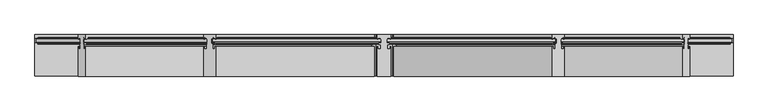
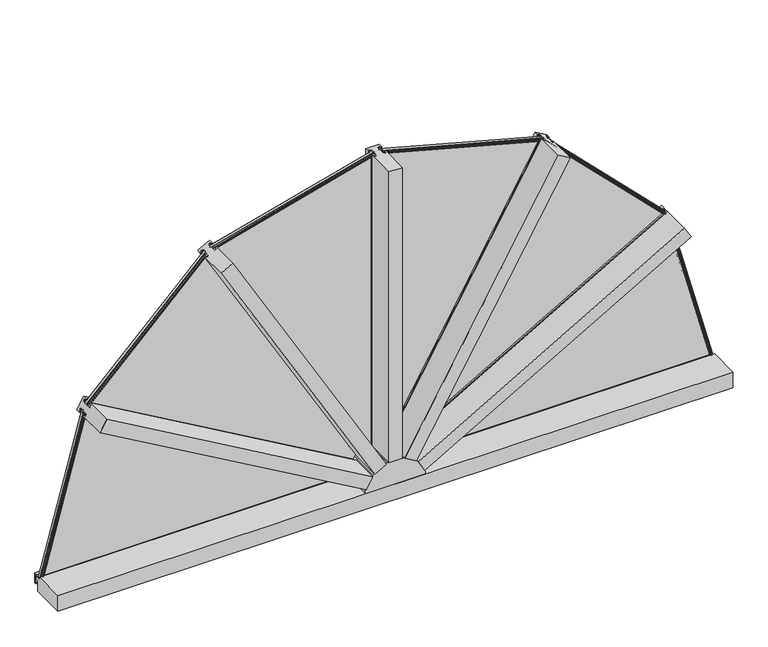
"""IFC4 building model written with IfcOpenShell, lengths in millimetres: proxy geometry."""

from ifc_helpers import new_model, si_unit, point, frame, frame_2d, origin, place, context, project, spatial, polyline, circle_curve, trimmed, segment, composite_curve, outline, extrude, source, transform, mapped, element, save


def generic_models_3cf2dcb8(model_context):
    return source(origin(), model_context, "Body", "SweptSolid", [
        extrude(outline(polyline([(-31.75, -190.7286), (-31.75, -53.3908), (-28.575, -53.3908), (-28.575, -65.3034), (-15.875, -65.3034), (-15.875, -45.4914), (-23.8252, -45.4914), (-23.8252, -38.3286), (-19.5326, -38.3286), (-19.05, -41.0464), (-20.5994, -40.7924), (-20.5994, -41.6052), (-18.2626, -42.0116), (-15.9258, -41.6052), (-15.9258, -40.7924), (-17.4752, -41.0464), (-16.9926, -38.3286), (-12.7, -38.3286), (-11.4859661, -33.5534), (-12.7, -33.5534), (-12.7, -20.701), (-15.6829932, -20.701), (-16.9164, -15.8496), (-21.209, -15.8496), (-21.6916, -13.1318), (-20.1422, -13.3858), (-20.1422, -12.573), (-22.479, -12.1666), (-24.8158, -12.573), (-24.8158, -13.3858), (-23.2664, -13.1318), (-23.749, -15.8496), (-28.0416, -15.8496), (-29.2750068, -20.701), (-31.75, -20.701), (-31.75, 0.0), (31.75, 0.0), (31.75, -20.701), (29.2750068, -20.701), (28.0416, -15.8496), (23.749, -15.8496), (23.2664, -13.1318), (24.8158, -13.3858), (24.8158, -12.573), (22.479, -12.1666), (20.1422, -12.573), (20.1422, -13.3858), (21.6916, -13.1318), (21.209, -15.8496), (16.9164, -15.8496), (15.6829932, -20.701), (12.7095495, -20.701), (12.7095495, -33.5534), (11.4859661, -33.5534), (12.7, -38.3286), (16.9926, -38.3286), (17.4752, -41.0464), (15.9258, -40.7924), (15.9258, -41.6052), (18.2626, -42.0116), (20.5994, -41.6052), (20.5994, -40.7924), (19.05, -41.0464), (19.5326, -38.3286), (23.8252, -38.3286), (23.8252, -45.4914), (15.875, -45.4914), (15.875, -65.3034), (28.575, -65.3034), (28.575, -53.3908), (31.75, -53.3908), (31.75, -190.7286), (-31.75, -190.7286)])), frame((0.0, 0.0, 214.6040235), z_axis=(0.0, 0.0, 1.0), x_axis=(1.0, 0.0, 0.0)), (0.0, 0.0, 1.0), 1457.9020948),
        extrude(outline(polyline([(-12.8524, 25.0263186), (-12.8524, 11.4730508), (-17.6276, 12.6870847), (-17.6276, 16.9796848), (-20.3454, 17.4622847), (-20.0914, 15.9128848), (-20.9042, 15.9128848), (-21.3106, 18.2496847), (-20.9042, 20.5864847), (-20.0914, 20.5864847), (-20.3454, 19.0370847), (-17.6276, 19.5196847), (-17.6276, 23.8122847), (-12.8524, 25.0263186)])), frame((73.3568343, -20.7518, 199.4209188), z_axis=(0.5000000000000037, 0.0, 0.8660254037844366), x_axis=(0.0, 1.0, 0.0)), (0.0, 0.0, 1.0), 1436.5621076),
        extrude(outline(polyline([(-12.8524, -11.4988813), (-12.8524, -25.0521491), (-17.6276, -23.8381153), (-17.6276, -19.5455153), (-20.3454, -19.0629152), (-20.0914, -20.6123153), (-20.9042, -20.6123153), (-21.3106, -18.2755152), (-20.9042, -15.9387153), (-20.0914, -15.9387153), (-20.3454, -17.4881152), (-17.6276, -17.0055153), (-17.6276, -12.7129152), (-12.8524, -11.4988813)])), frame((73.3568343, -20.7518, 199.4209188), z_axis=(0.5000000000000037, 0.0, 0.8660254037844366), x_axis=(0.0, 1.0, 0.0)), (0.0, 0.0, 1.0), 1436.5621076),
        extrude(outline(polyline([(0.0, -15.6959084), (4.8514, -16.9293152), (4.8514, -21.2219153), (7.5692, -21.7045153), (7.3152, -20.1551153), (8.128, -20.1551153), (8.5344, -22.4919153), (8.128, -24.8287152), (7.3152, -24.8287152), (7.5692, -23.2793153), (4.8514, -23.7619152), (4.8514, -28.0545153), (0.0, -29.2879221), (0.0, -15.6959084)])), frame((73.3568343, -20.7518, 199.4209188), z_axis=(0.5000000000000037, 0.0, 0.8660254037844366), x_axis=(0.0, 1.0, 0.0)), (0.0, 0.0, 1.0), 1436.5621076),
        extrude(outline(polyline([(0.0, 29.2620916), (4.8514, 28.0286848), (4.8514, 23.7360847), (7.5692, 23.2534848), (7.3152, 24.8028847), (8.128, 24.8028847), (8.5344, 22.4660847), (8.128, 20.1292848), (7.3152, 20.1292848), (7.5692, 21.6786847), (4.8514, 21.1960848), (4.8514, 16.9034847), (0.0, 15.6700779), (0.0, 29.2620916)])), frame((73.3568343, -20.7518, 199.4209188), z_axis=(0.5000000000000037, 0.0, 0.8660254037844366), x_axis=(0.0, 1.0, 0.0)), (0.0, 0.0, 1.0), 1436.5621076),
        extrude(outline(polyline([(190.7286, 31.75), (190.7286, -31.75), (53.3908, -31.75), (53.3908, -28.575), (65.3034, -28.575), (65.3034, -15.875), (45.4914, -15.875), (45.4914, -23.8252), (38.3286, -23.8252), (38.3286, -19.5326), (41.0464, -19.0500001), (40.7924, -20.5994), (41.6052, -20.5994), (42.0116, -18.2626001), (41.6052, -15.9258), (40.7924, -15.9258), (41.0464, -17.4752001), (38.3286, -16.9926), (38.3286, -12.7), (33.5534, -11.4859661), (33.5534, -12.7095495), (20.701, -12.7095495), (20.701, -15.6829933), (15.8496, -16.9164001), (15.8496, -21.209), (13.1318, -21.6916), (13.3858, -20.1422), (12.573, -20.1422), (12.1666, -22.479), (12.573, -24.8158), (13.3858, -24.8158), (13.1318, -23.2664), (15.8496, -23.749), (15.8496, -28.0416), (20.701, -29.2750068), (20.701, -31.75), (0.0, -31.75), (0.0, 31.75), (20.701, 31.75), (20.701, 29.2750068), (15.8496, 28.0415999), (15.8496, 23.749), (13.1318, 23.2664), (13.3858, 24.8158), (12.573, 24.8158), (12.1666, 22.479), (12.573, 20.1422), (13.3858, 20.1422), (13.1318, 21.6916), (15.8496, 21.209), (15.8496, 16.9164), (20.701, 15.6829932), (20.701, 12.7), (33.5534, 12.7), (33.5534, 11.485966), (38.3286, 12.7), (38.3286, 16.9926), (41.0464, 17.4752), (40.7924, 15.9258), (41.6052, 15.9258), (42.0116, 18.2626), (41.6052, 20.5994), (40.7924, 20.5994), (41.0464, 19.05), (38.3286, 19.5326), (38.3286, 23.8252), (45.4914, 23.8252), (45.4914, 15.875), (65.3034, 15.875), (65.3034, 28.575), (53.3908, 28.575), (53.3908, 31.75), (190.7286, 31.75)])), frame((71.1204344, 0.0, 195.5473605), z_axis=(0.5000000000000036, 0.0, 0.8660254037844366), x_axis=(0.0, -1.0, 0.0)), (0.0, 0.0, 1.0), 1457.9020948),
        extrude(outline(polyline([(190.7286, -31.75), (53.3908, -31.75), (53.3908, -28.575), (65.3034, -28.575), (65.3034, -15.875), (45.4914, -15.875), (45.4914, -23.8252), (38.3286, -23.8252), (38.3286, -19.5326), (41.0464, -19.05), (40.7924, -20.5994), (41.6052, -20.5994), (42.0116, -18.2626), (41.6052, -15.9258), (40.7924, -15.9258), (41.0464, -17.4752), (38.3286, -16.9926), (38.3286, -12.7), (33.5534, -11.4859661), (33.5534, -12.7), (20.701, -12.7), (20.701, -15.6829932), (15.8496, -16.9164), (15.8496, -21.209), (13.1318, -21.6916), (13.3858, -20.1422), (12.573, -20.1422), (12.1666, -22.479), (12.573, -24.8158), (13.3858, -24.8158), (13.1318, -23.2664), (15.8496, -23.749), (15.8496, -28.0416), (20.701, -29.2750068), (20.701, -31.75), (0.0, -31.75), (0.0, 31.75), (20.701, 31.75), (20.701, 29.2750068), (15.8496, 28.0416), (15.8496, 23.749), (13.1318, 23.2664), (13.3858, 24.8158), (12.573, 24.8158), (12.1666, 22.479), (12.573, 20.1422), (13.3858, 20.1422), (13.1318, 21.6916), (15.8496, 21.209), (15.8496, 16.9164), (20.701, 15.6829932), (20.701, 12.7095494), (33.5534, 12.7095494), (33.5534, 11.485966), (38.3286, 12.7), (38.3286, 16.9926), (41.0464, 17.4752), (40.7924, 15.9258), (41.6052, 15.9258), (42.0116, 18.2626), (41.6052, 20.5994), (40.7924, 20.5994), (41.0464, 19.05), (38.3286, 19.5326), (38.3286, 23.8252), (45.4914, 23.8252), (45.4914, 15.875), (65.3034, 15.875), (65.3034, 28.575), (53.3908, 28.575), (53.3908, 31.75), (190.7286, 31.75), (190.7286, -31.75)])), frame((-71.12, 0.0, 195.5466082), z_axis=(-0.4999999999999979, 0.0, 0.8660254037844399), x_axis=(0.0, -1.0, 0.0)), (0.0, 0.0, 1.0), 1457.9029636),
        extrude(outline(polyline([(-12.8016, 25.0392338), (-12.8016, 11.485966), (-17.5768, 12.7), (-17.5768, 16.9925999), (-20.2946, 17.4752), (-20.0406, 15.9257999), (-20.8534, 15.9257999), (-21.2598, 18.2626), (-20.8534, 20.5994), (-20.0406, 20.5994), (-20.2946, 19.05), (-17.5768, 19.5326), (-17.5768, 23.8252), (-12.8016, 25.0392338)])), frame((125.9552294, -20.7518, 145.0834404), z_axis=(0.8660254037844406, 0.0, 0.4999999999999966), x_axis=(0.0, 1.0, 0.0)), (0.0, 0.0, 1.0), 1437.8352049),
        extrude(outline(polyline([(-12.8016, -11.4859662), (-12.8016, -25.039234), (-17.5768, -23.8252), (-17.5768, -19.5326001), (-20.2946, -19.0500001), (-20.0406, -20.5994001), (-20.8534, -20.5994001), (-21.2598, -18.2626001), (-20.8534, -15.9258), (-20.0406, -15.9258), (-20.2946, -17.4752001), (-17.5768, -16.9926), (-17.5768, -12.7000001), (-12.8016, -11.4859662)])), frame((125.9552294, -20.7518, 145.0834404), z_axis=(0.8660254037844406, 0.0, 0.4999999999999966), x_axis=(0.0, 1.0, 0.0)), (0.0, 0.0, 1.0), 1437.8352049),
        extrude(outline(polyline([(0.0508, -15.6829933), (4.9022, -16.9164001), (4.9022, -21.209), (7.62, -21.6916), (7.366, -20.1422), (8.1788, -20.1422), (8.5852, -22.479), (8.1788, -24.8158001), (7.366, -24.8158001), (7.62, -23.2664), (4.9022, -23.7490001), (4.9022, -28.0416), (0.0508, -29.2750068), (0.0508, -15.6829933)])), frame((125.9552294, -20.7518, 145.0834404), z_axis=(0.8660254037844406, 0.0, 0.4999999999999966), x_axis=(0.0, 1.0, 0.0)), (0.0, 0.0, 1.0), 1437.8352049),
        extrude(outline(polyline([(0.0508, 29.2750067), (4.9022, 28.0415999), (4.9022, 23.749), (7.62, 23.2664), (7.366, 24.8158), (8.1788, 24.8158), (8.5852, 22.479), (8.1788, 20.1421999), (7.366, 20.1421999), (7.62, 21.6916), (4.9022, 21.2089999), (4.9022, 16.9164), (0.0508, 15.6829932), (0.0508, 29.2750067)])), frame((125.9552294, -20.7518, 145.0834404), z_axis=(0.8660254037844406, 0.0, 0.4999999999999966), x_axis=(0.0, 1.0, 0.0)), (0.0, 0.0, 1.0), 1437.8352049),
        extrude(outline(polyline([(190.7286, 31.7499999), (190.7286, -31.75), (53.3908, -31.75), (53.3908, -28.575), (65.3034, -28.575), (65.3034, -15.875), (45.4914, -15.875), (45.4914, -23.8252), (38.3286, -23.8252), (38.3286, -19.5326), (41.0464, -19.0500001), (40.7924, -20.5994), (41.6052, -20.5994), (42.0116, -18.2626001), (41.6052, -15.9258), (40.7924, -15.9258), (41.0464, -17.4752001), (38.3286, -16.9926), (38.3286, -12.7000001), (33.5534, -11.4859661), (33.5534, -12.7095494), (20.701, -12.7095494), (20.701, -15.6829933), (15.8496, -16.9164001), (15.8496, -21.209), (13.1318, -21.6916), (13.3858, -20.1422), (12.573, -20.1422), (12.1666, -22.479), (12.573, -24.8158001), (13.3858, -24.8158001), (13.1318, -23.2664), (15.8496, -23.7490001), (15.8496, -28.0416), (20.701, -29.2750068), (20.701, -31.75), (0.0, -31.75), (0.0, 31.7499999), (20.701, 31.7499999), (20.701, 29.2750067), (15.8496, 28.0415999), (15.8496, 23.749), (13.1318, 23.2664), (13.3858, 24.8158), (12.573, 24.8158), (12.1666, 22.479), (12.573, 20.1422), (13.3858, 20.1422), (13.1318, 21.6916), (15.8496, 21.209), (15.8496, 16.9164), (20.701, 15.6829932), (20.701, 12.7), (33.5534, 12.7), (33.5534, 11.4859661), (38.3286, 12.7), (38.3286, 16.9925999), (41.0464, 17.4752), (40.7924, 15.9257999), (41.6052, 15.9257999), (42.0116, 18.2626), (41.6052, 20.5994), (40.7924, 20.5994), (41.0464, 19.05), (38.3286, 19.5326), (38.3286, 23.8252), (45.4914, 23.8252), (45.4914, 15.8749999), (65.3034, 15.8749999), (65.3034, 28.575), (53.3908, 28.575), (53.3908, 31.7499999), (190.7286, 31.7499999)])), frame((123.1834534, 0.0, 143.4831547), z_axis=(0.8660254037844404, 0.0, 0.4999999999999971), x_axis=(0.0, -1.0, 0.0)), (0.0, 0.0, 1.0), 1457.9029636),
        extrude(outline(polyline([(190.7286, -31.75), (53.3908, -31.75), (53.3908, -28.5750001), (65.3034, -28.5750001), (65.3034, -15.875), (45.4914, -15.875), (45.4914, -23.8252), (38.3286, -23.8252), (38.3286, -19.5326), (41.0464, -19.0500001), (40.7924, -20.5994), (41.6052, -20.5994), (42.0116, -18.2626001), (41.6052, -15.9258), (40.7924, -15.9258), (41.0464, -17.4752001), (38.3286, -16.9926), (38.3286, -12.7000001), (33.5534, -11.4859661), (33.5534, -12.7000001), (20.701, -12.7000001), (20.701, -15.6829933), (15.8496, -16.9164001), (15.8496, -21.209), (13.1318, -21.6916), (13.3858, -20.1422), (12.573, -20.1422), (12.1666, -22.479), (12.573, -24.8158001), (13.3858, -24.8158001), (13.1318, -23.2664), (15.8496, -23.7490001), (15.8496, -28.0416), (20.701, -29.2750068), (20.701, -31.75), (0.0, -31.75), (0.0, 31.7499999), (20.701, 31.7499999), (20.701, 29.2750067), (15.8496, 28.0415999), (15.8496, 23.749), (13.1318, 23.2664), (13.3858, 24.8158), (12.573, 24.8158), (12.1666, 22.479), (12.573, 20.1421999), (13.3858, 20.1421999), (13.1318, 21.6916), (15.8496, 21.2089999), (15.8496, 16.9164), (20.701, 15.6829932), (20.701, 12.7095495), (33.5534, 12.7095495), (33.5534, 11.4859661), (38.3286, 12.7), (38.3286, 16.9925999), (41.0464, 17.4752), (40.7924, 15.9257999), (41.6052, 15.9257999), (42.0116, 18.2626), (41.6052, 20.5994), (40.7924, 20.5994), (41.0464, 19.05), (38.3286, 19.5326), (38.3286, 23.8252), (45.4914, 23.8252), (45.4914, 15.8749999), (65.3034, 15.8749999), (65.3034, 28.575), (53.3908, 28.575), (53.3908, 31.7499999), (190.7286, 31.7499999), (190.7286, -31.75)])), frame((-123.1827011, 0.0, 143.4827204), z_axis=(-0.8660254037844374, 0.0, 0.5000000000000024), x_axis=(0.0, -1.0, 0.0)), (0.0, 0.0, 1.0), 1457.9020948),
        extrude(outline(polyline([(-24.8666, 19.9756547), (-22.479, 19.9756547), (-22.479, 16.8006547), (-189.1665, 16.8006547), (-189.1665, 96.1756547), (-38.354, 96.1756547), (-38.354, 85.0631547), (-15.875, 85.0631547), (-15.875, 96.1756547), (0.0, 96.1756547), (0.0, 45.3756547), (-6.35, 45.3756547), (-6.35, 47.7378547), (-2.3622, 47.7378547), (-2.3622, 93.0006547), (-12.7, 93.0006547), (-12.7, 72.3504547), (-24.8666, 72.3504547), (-24.8666, 19.9756547)])), frame((-1600.7575389, 0.0, 0.0), z_axis=(1.0, 0.0, 0.0), x_axis=(0.0, 1.0, 0.0)), (0.0, 0.0, 1.0), 3201.5150778),
        extrude(outline(polyline([(-17.6276, -8.4328), (-20.3454, -7.9502), (-20.0914, -9.4995999), (-20.9042, -9.4995999), (-21.3106, -7.1628), (-20.9042, -4.826), (-20.0914, -4.826), (-20.3454, -6.3754), (-17.6276, -5.8928), (-17.6276, -1.6002), (-12.8524, -0.3861661), (-12.8524, -13.9394339), (-17.6276, -12.7254), (-17.6276, -8.4328)])), frame((-1595.7084131, -20.7518, 88.9066377), z_axis=(0.2588190451025235, 0.0, 0.9659258262890675), x_axis=(0.0, 1.0, 0.0)), (0.0, 0.0, 1.0), 788.9192544),
        extrude(outline(polyline([(0.0, -2.9829931), (4.8514, -4.2163999), (4.8514, -8.5089999), (7.5692, -8.9915999), (7.3152, -7.4421999), (8.128, -7.4421999), (8.5344, -9.7789999), (8.128, -12.1158), (7.3152, -12.1158), (7.5692, -10.5663999), (4.8514, -11.0489999), (4.8514, -15.3415999), (0.0, -16.5750068), (0.0, -2.9829931)])), frame((-1595.7084131, -20.7518, 88.9066377), z_axis=(0.2588190451025235, 0.0, 0.9659258262890675), x_axis=(0.0, 1.0, 0.0)), (0.0, 0.0, 1.0), 788.9192544),
        extrude(outline(polyline([(-17.6276, -8.4328), (-20.3454, -7.9502), (-20.0914, -9.4996), (-20.9042, -9.4996), (-21.3106, -7.1628), (-20.9042, -4.826), (-20.0914, -4.826), (-20.3454, -6.3754), (-17.6276, -5.8928), (-17.6276, -1.6002), (-12.8524, -0.3861661), (-12.8524, -13.9394339), (-17.6276, -12.7254), (-17.6276, -8.4328)])), frame((-1373.6607943, -20.7518, 884.5382984), z_axis=(0.7071067811865479, 0.0, 0.7071067811865471), x_axis=(0.0, 1.0, 0.0)), (0.0, 0.0, 1.0), 795.8224891),
        extrude(outline(polyline([(0.0, -2.9829932), (4.8514, -4.2164), (4.8514, -8.509), (7.5692, -8.9916), (7.3152, -7.4422), (8.128, -7.4422), (8.5344, -9.7790001), (8.128, -12.1158), (7.3152, -12.1158), (7.5692, -10.5664), (4.8514, -11.049), (4.8514, -15.3416), (0.0, -16.5750068), (0.0, -2.9829932)])), frame((-1373.6607943, -20.7518, 884.5382984), z_axis=(0.7071067811865479, 0.0, 0.7071067811865471), x_axis=(0.0, 1.0, 0.0)), (0.0, 0.0, 1.0), 795.8224891),
        extrude(outline(polyline([(-17.6276, -8.4328), (-20.3454, -7.9502), (-20.0914, -9.4996), (-20.9042, -9.4996), (-21.3106, -7.1628), (-20.9042, -4.8260001), (-20.0914, -4.8260001), (-20.3454, -6.3754), (-17.6276, -5.8928), (-17.6276, -1.6002), (-12.8524, -0.3861661), (-12.8524, -13.9394339), (-17.6276, -12.7254), (-17.6276, -8.4328)])), frame((-783.2947655, -20.7518, 1462.6229185), z_axis=(0.9659258262890681, 0.0, 0.25881904510252174), x_axis=(0.0, 1.0, 0.0)), (0.0, 0.0, 1.0), 795.3197449),
        extrude(outline(polyline([(0.0, -2.9829932), (4.8514, -4.2164), (4.8514, -8.5090001), (7.5692, -8.9916001), (7.3152, -7.4422), (8.128, -7.4422), (8.5344, -9.7790001), (8.128, -12.1158001), (7.3152, -12.1158001), (7.5692, -10.5664001), (4.8514, -11.0490001), (4.8514, -15.3416001), (0.0, -16.5750068), (0.0, -2.9829932)])), frame((-783.2947655, -20.7518, 1462.6229185), z_axis=(0.9659258262890681, 0.0, 0.25881904510252174), x_axis=(0.0, 1.0, 0.0)), (0.0, 0.0, 1.0), 795.3197449),
        extrude(outline(polyline([(-17.6276, 8.4328), (-17.6276, 12.7254), (-12.8524, 13.9394339), (-12.8524, 0.3861661), (-17.6276, 1.6002), (-17.6276, 5.8928), (-20.3454, 6.3754), (-20.0914, 4.8260001), (-20.9042, 4.8260001), (-21.3106, 7.1628), (-20.9042, 9.4996), (-20.0914, 9.4996), (-20.3454, 7.9502), (-17.6276, 8.4328)])), frame((783.2947655, -20.7518, 1462.6229185), z_axis=(-0.9659258262890671, 0.0, 0.25881904510252557), x_axis=(0.0, 1.0, 0.0)), (0.0, 0.0, 1.0), 793.5578781),
        extrude(outline(polyline([(0.0, 2.9829932), (0.0, 16.5750068), (4.8514, 15.3416001), (4.8514, 11.0490001), (7.5692, 10.5664001), (7.3152, 12.1158001), (8.128, 12.1158001), (8.5344, 9.7790001), (8.128, 7.4422), (7.3152, 7.4422), (7.5692, 8.9916001), (4.8514, 8.5090001), (4.8514, 4.2164), (0.0, 2.9829932)])), frame((783.2947655, -20.7518, 1462.6229185), z_axis=(-0.9659258262890671, 0.0, 0.25881904510252557), x_axis=(0.0, 1.0, 0.0)), (0.0, 0.0, 1.0), 793.5578781),
        extrude(outline(polyline([(-17.6276, 8.4328), (-17.6276, 12.7254), (-12.8524, 13.9394339), (-12.8524, 0.3861661), (-17.6276, 1.6002), (-17.6276, 5.8928), (-20.3454, 6.3754), (-20.0914, 4.826), (-20.9042, 4.826), (-21.3106, 7.1628), (-20.9042, 9.4996), (-20.0914, 9.4996), (-20.3454, 7.9502), (-17.6276, 8.4328)])), frame((1595.3796086, -20.7518, 90.1402376), z_axis=(-0.25881904510252507, 0.0, 0.9659258262890672), x_axis=(0.0, 1.0, 0.0)), (0.0, 0.0, 1.0), 794.2840893),
        extrude(outline(polyline([(0.0, 2.9829932), (0.0, 16.5750068), (4.8514, 15.3416001), (4.8514, 11.049), (7.5692, 10.5664001), (7.3152, 12.1158), (8.128, 12.1158), (8.5344, 9.7790001), (8.128, 7.4422), (7.3152, 7.4422), (7.5692, 8.9916), (4.8514, 8.5090001), (4.8514, 4.2164), (0.0, 2.9829932)])), frame((1595.3796086, -20.7518, 90.1402376), z_axis=(-0.25881904510252507, 0.0, 0.9659258262890672), x_axis=(0.0, 1.0, 0.0)), (0.0, 0.0, 1.0), 794.2840893),
        extrude(outline(polyline([(-17.6276, 1.5208116), (-17.6276, 5.8134116), (-20.3454, 6.2960116), (-20.0914, 4.7466116), (-20.9042, 4.7466116), (-21.3106, 7.0834116), (-20.9042, 9.4202116), (-20.0914, 9.4202116), (-20.3454, 7.8708116), (-17.6276, 8.3534116), (-17.6276, 12.6460116), (-12.8524, 13.8600455), (-12.8524, 0.3067777), (-17.6276, 1.5208116)])), frame((1373.4830474, -20.7518, 884.7160453), z_axis=(-0.7071067811865438, 0.0, 0.7071067811865513), x_axis=(0.0, 1.0, 0.0)), (0.0, 0.0, 1.0), 795.3197449),
        extrude(outline(polyline([(0.0, 2.9036048), (0.0, 16.4956184), (4.8514, 15.2622116), (4.8514, 10.9696116), (7.5692, 10.4870116), (7.3152, 12.0364116), (8.128, 12.0364116), (8.5344, 9.6996116), (8.128, 7.3628117), (7.3152, 7.3628117), (7.5692, 8.9122116), (4.8514, 8.4296116), (4.8514, 4.1370116), (0.0, 2.9036048)])), frame((1373.4830474, -20.7518, 884.7160453), z_axis=(-0.7071067811865438, 0.0, 0.7071067811865513), x_axis=(0.0, 1.0, 0.0)), (0.0, 0.0, 1.0), 795.3197449),
        extrude(outline(polyline([(-33.6042, 96.7182879), (-33.6042, 83.1779354), (-38.354, 84.3855117), (-38.354, 88.6781117), (-41.0718, 89.1607117), (-40.8178, 87.6113117), (-41.6306, 87.6113117), (-42.037, 89.9481117), (-41.6306, 92.2849117), (-40.8178, 92.2849117), (-41.0718, 90.7355117), (-38.354, 91.2181117), (-38.354, 95.5107117), (-33.6042, 96.7182879)])), frame((-1590.616226, 0.0, 0.0), z_axis=(1.0, 0.0, 0.0), x_axis=(0.0, 1.0, 0.0)), (0.0, 0.0, 1.0), 3181.2324521),
        extrude(outline(composite_curve([segment(polyline([(-12.7, 96.2981117), (-15.0876, 96.2981117)]), True, "CONTINUOUS"), segment(trimmed(circle_curve(frame_2d((-15.0876, 95.5107117)), 0.7874), [point((-15.0876, 96.2981117))], [point((-15.875, 95.5107117))], True, "CARTESIAN"), True, "CONTINUOUS"), segment(polyline([(-15.875, 95.5107117), (-15.875, 94.7233117), (-14.3002, 94.7233117), (-15.9278569, 88.6488134)]), True, "CONTINUOUS"), segment(trimmed(circle_curve(frame_2d((-18.3134, 88.1412561)), 2.4389404), [point((-15.9278569, 88.6488134))], [point((-20.7518, 88.0899157))], False, "CARTESIAN"), True, "CONTINUOUS"), segment(polyline([(-20.7518, 88.0899157), (-20.7518, 102.1087233)]), True, "CONTINUOUS"), segment(trimmed(circle_curve(frame_2d((-9.0398591, 109.8540113)), 14.0413335), [point((-20.7518, 102.1087233))], [point((-12.7, 96.2981117))], True, "CARTESIAN"), True, "CONTINUOUS")], self_intersect=False)), frame((-1590.616226, 0.0, 0.0), z_axis=(1.0, 0.0, 0.0), x_axis=(0.0, 1.0, 0.0)), (0.0, 0.0, 1.0), 3181.2324521),
        extrude(outline(polyline([(-12.8016, -25.0392338), (-17.5768, -23.8252), (-17.5768, -19.5326), (-20.2946, -19.05), (-20.0406, -20.5994), (-20.8534, -20.5994), (-21.2598, -18.2626), (-20.8534, -15.9257999), (-20.0406, -15.9257999), (-20.2946, -17.4752), (-17.5768, -16.9925999), (-17.5768, -12.7), (-12.8016, -11.485966), (-12.8016, -25.0392338)])), frame((-125.9552294, -20.7518, 145.0834404), z_axis=(-0.8660254037844374, 0.0, 0.5000000000000022), x_axis=(0.0, 1.0, 0.0)), (0.0, 0.0, 1.0), 1445.6753619),
        extrude(outline(polyline([(-12.8016, 11.4859662), (-17.5768, 12.7000001), (-17.5768, 16.9926), (-20.2946, 17.4752001), (-20.0406, 15.9258), (-20.8534, 15.9258), (-21.2598, 18.2626001), (-20.8534, 20.5994001), (-20.0406, 20.5994001), (-20.2946, 19.0500001), (-17.5768, 19.5326001), (-17.5768, 23.8252), (-12.8016, 25.039234), (-12.8016, 11.4859662)])), frame((-125.9552294, -20.7518, 145.0834404), z_axis=(-0.8660254037844374, 0.0, 0.5000000000000022), x_axis=(0.0, 1.0, 0.0)), (0.0, 0.0, 1.0), 1445.6753619),
        extrude(outline(polyline([(0.0508, 15.6829933), (0.0508, 29.2750068), (4.9022, 28.0416), (4.9022, 23.7490001), (7.62, 23.2664), (7.366, 24.8158001), (8.1788, 24.8158001), (8.5852, 22.479), (8.1788, 20.1422), (7.366, 20.1422), (7.62, 21.6916), (4.9022, 21.209), (4.9022, 16.9164001), (0.0508, 15.6829933)])), frame((-125.9552294, -20.7518, 145.0834404), z_axis=(-0.8660254037844374, 0.0, 0.5000000000000022), x_axis=(0.0, 1.0, 0.0)), (0.0, 0.0, 1.0), 1445.6753619),
        extrude(outline(polyline([(0.0508, -29.2750067), (0.0508, -15.6829932), (4.9022, -16.9164), (4.9022, -21.2089999), (7.62, -21.6916), (7.366, -20.1421999), (8.1788, -20.1421999), (8.5852, -22.479), (8.1788, -24.8158), (7.366, -24.8158), (7.62, -23.2664), (4.9022, -23.749), (4.9022, -28.0415999), (0.0508, -29.2750067)])), frame((-125.9552294, -20.7518, 145.0834404), z_axis=(-0.8660254037844374, 0.0, 0.5000000000000022), x_axis=(0.0, 1.0, 0.0)), (0.0, 0.0, 1.0), 1445.6753619),
        extrude(outline(polyline([(-12.8524, -25.0521492), (-17.6276, -23.8381153), (-17.6276, -19.5455152), (-20.3454, -19.0629153), (-20.0914, -20.6123152), (-20.9042, -20.6123152), (-21.3106, -18.2755153), (-20.9042, -15.9387152), (-20.0914, -15.9387152), (-20.3454, -17.4881153), (-17.6276, -17.0055152), (-17.6276, -12.7129152), (-12.8524, -11.4988813), (-12.8524, -25.0521492)])), frame((-73.3254248, -20.7518, 199.366516), z_axis=(-0.4999999999999982, 0.0, 0.8660254037844397), x_axis=(0.0, 1.0, 0.0)), (0.0, 0.0, 1.0), 1436.6249264),
        extrude(outline(polyline([(-12.8524, 11.4730508), (-17.6276, 12.6870848), (-17.6276, 16.9796848), (-20.3454, 17.4622848), (-20.0914, 15.9128848), (-20.9042, 15.9128848), (-21.3106, 18.2496848), (-20.9042, 20.5864848), (-20.0914, 20.5864848), (-20.3454, 19.0370848), (-17.6276, 19.5196848), (-17.6276, 23.8122847), (-12.8524, 25.0263186), (-12.8524, 11.4730508)])), frame((-73.3254248, -20.7518, 199.366516), z_axis=(-0.4999999999999982, 0.0, 0.8660254037844397), x_axis=(0.0, 1.0, 0.0)), (0.0, 0.0, 1.0), 1436.6249264),
        extrude(outline(polyline([(0.0, 15.670078), (0.0, 29.2620916), (4.8514, 28.0286847), (4.8514, 23.7360848), (7.5692, 23.2534847), (7.3152, 24.8028848), (8.128, 24.8028848), (8.5344, 22.4660847), (8.128, 20.1292848), (7.3152, 20.1292848), (7.5692, 21.6786848), (4.8514, 21.1960848), (4.8514, 16.9034848), (0.0, 15.670078)])), frame((-73.3254248, -20.7518, 199.366516), z_axis=(-0.4999999999999982, 0.0, 0.8660254037844397), x_axis=(0.0, 1.0, 0.0)), (0.0, 0.0, 1.0), 1436.6249264),
        extrude(outline(polyline([(0.0, -29.287922), (0.0, -15.6959085), (4.8514, -16.9293153), (4.8514, -21.2219152), (7.5692, -21.7045153), (7.3152, -20.1551152), (8.128, -20.1551152), (8.5344, -22.4919152), (8.128, -24.8287152), (7.3152, -24.8287152), (7.5692, -23.2793152), (4.8514, -23.7619152), (4.8514, -28.0545152), (0.0, -29.287922)])), frame((-73.3254248, -20.7518, 199.366516), z_axis=(-0.4999999999999982, 0.0, 0.8660254037844397), x_axis=(0.0, 1.0, 0.0)), (0.0, 0.0, 1.0), 1436.6249264),
        extrude(outline(polyline([(25.0263186, -33.6042), (23.8122847, -38.3794), (19.5196847, -38.3794), (19.0370847, -41.0972), (20.5864847, -40.8432), (20.5864847, -41.656), (18.2496847, -42.0624), (15.9128847, -41.656), (15.9128847, -40.8432), (17.4622847, -41.0972), (16.9796847, -38.3794), (12.6870847, -38.3794), (11.4730508, -33.6042), (25.0263186, -33.6042)])), frame((0.0, 0.0, 219.4266498), z_axis=(0.0, 0.0, 1.0), x_axis=(1.0, 0.0, 0.0)), (0.0, 0.0, 1.0), 1436.212281),
        extrude(outline(polyline([(-11.4988814, -33.6042), (-12.7129153, -38.3794), (-17.0055153, -38.3794), (-17.4881153, -41.0972), (-15.9387153, -40.8432), (-15.9387153, -41.656), (-18.2755153, -42.0624), (-20.6123153, -41.656), (-20.6123153, -40.8432), (-19.0629153, -41.0972), (-19.5455153, -38.3794), (-23.8381153, -38.3794), (-25.0521492, -33.6042), (-11.4988814, -33.6042)])), frame((0.0, 0.0, 219.4266498), z_axis=(0.0, 0.0, 1.0), x_axis=(1.0, 0.0, 0.0)), (0.0, 0.0, 1.0), 1436.212281),
        extrude(outline(polyline([(-15.6959085, -20.7518), (-29.287922, -20.7518), (-28.0545153, -15.9004), (-23.7619153, -15.9004), (-23.2793153, -13.1826), (-24.8287153, -13.4366), (-24.8287153, -12.6238), (-22.4919153, -12.2174), (-20.1551153, -12.6238), (-20.1551153, -13.4366), (-21.7045153, -13.1826), (-21.2219153, -15.9004), (-16.9293153, -15.9004), (-15.6959085, -20.7518)])), frame((0.0, 0.0, 219.4266498), z_axis=(0.0, 0.0, 1.0), x_axis=(1.0, 0.0, 0.0)), (0.0, 0.0, 1.0), 1436.212281),
        extrude(outline(polyline([(29.2620915, -20.7518), (15.670078, -20.7518), (16.9034847, -15.9004), (21.1960847, -15.9004), (21.6786847, -13.1826), (20.1292847, -13.4366), (20.1292847, -12.6238), (22.4660847, -12.2174), (24.8028847, -12.6238), (24.8028847, -13.4366), (23.2534847, -13.1826), (23.7360847, -15.9004), (28.0286847, -15.9004), (29.2620915, -20.7518)])), frame((0.0, 0.0, 219.4266498), z_axis=(0.0, 0.0, 1.0), x_axis=(1.0, 0.0, 0.0)), (0.0, 0.0, 1.0), 1436.212281),
        extrude(outline(polyline([(96.1756547, -142.2382625), (96.1756547, 142.2391312), (110.4777526, 142.2391312), (176.4915664, 104.1260381), (214.6040235, 38.1133259), (214.6040235, -38.1115884), (176.4909304, -104.1254021), (110.4775198, -142.2382625), (96.1756547, -142.2382625)])), frame((0.0, -189.1665, 0.0), z_axis=(0.0, 1.0, 0.0), x_axis=(0.0, 0.0, 1.0)), (0.0, 0.0, 1.0), 189.1157),
        extrude(outline(polyline([(85.0631547, 1596.7400088), (859.7346365, 1389.1674109), (129.6874547, 124.6886), (85.0631547, 124.6886), (85.0631547, 1596.7400088)])), frame((0.0, -33.6042, 0.0), z_axis=(0.0, 1.0, 0.0), x_axis=(0.0, 0.0, 1.0)), (0.0, 0.0, 1.0), 12.8524),
        extrude(outline(polyline([(881.7316818, 1376.4674109), (1448.8305656, 809.368527), (175.357866, 74.1287211), (146.4918759, 102.9947113), (881.7316818, 1376.4674109)])), frame((0.0, -33.6042, 0.0), z_axis=(0.0, 1.0, 0.0), x_axis=(0.0, 0.0, 1.0)), (0.0, 0.0, 1.0), 12.8524),
        extrude(outline(polyline([(196.9864712, 12.7), (186.6401127, 51.3131356), (1461.5305656, 787.3714818), (1669.1031636, 12.7), (196.9864712, 12.7)])), frame((0.0, -33.6042, 0.0), z_axis=(0.0, 1.0, 0.0), x_axis=(0.0, 0.0, 1.0)), (0.0, 0.0, 1.0), 12.8524),
        extrude(outline(polyline([(1461.5305656, -787.3714818), (186.6295787, -51.3070538), (196.9743076, -12.7), (1669.1031636, -12.7), (1461.5305656, -787.3714818)])), frame((0.0, -33.6042, 0.0), z_axis=(0.0, 1.0, 0.0), x_axis=(0.0, 0.0, 1.0)), (0.0, 0.0, 1.0), 12.8524),
        extrude(outline(polyline([(1448.8305656, -809.368527), (881.7316818, -1376.4674109), (146.4819353, -102.9774937), (175.3406484, -74.1187805), (1448.8305656, -809.368527)])), frame((0.0, -33.6042, 0.0), z_axis=(0.0, 1.0, 0.0), x_axis=(0.0, 0.0, 1.0)), (0.0, 0.0, 1.0), 12.8524),
        extrude(outline(polyline([(859.7337678, -1389.1659061), (85.0631547, -1596.7382713), (85.0631547, -124.7115868), (129.7007261, -124.7115868), (859.7337678, -1389.1659061)])), frame((0.0, -33.6042, 0.0), z_axis=(0.0, 1.0, 0.0), x_axis=(0.0, 0.0, 1.0)), (0.0, 0.0, 1.0), 12.8524),
    ])


if __name__ == "__main__":
    model = new_model("IFC4")
    model_context = context("Model", 3, world=origin())
    ifc_project = project(units=[si_unit("LENGTHUNIT", "METRE", prefix="MILLI")], contexts=[model_context])
    site = spatial("IfcSite", under=ifc_project)
    building = spatial("IfcBuilding", under=site)
    placement = place(None, origin())
    generic_models_shape = generic_models_3cf2dcb8(model_context)
    element("IfcBuildingElementProxy", 1, Name="Generic Models", at=placement, inside=building, context=model_context, shape_type="MappedRepresentation", body=[
        mapped(generic_models_shape, transform((0.0, 0.0, 0.0), x_axis=(1.0, 0.0, 0.0), y_axis=(0.0, 1.0, 0.0), z_axis=(0.0, 0.0, 1.0))),
    ])
    save(model, "model.ifc")
